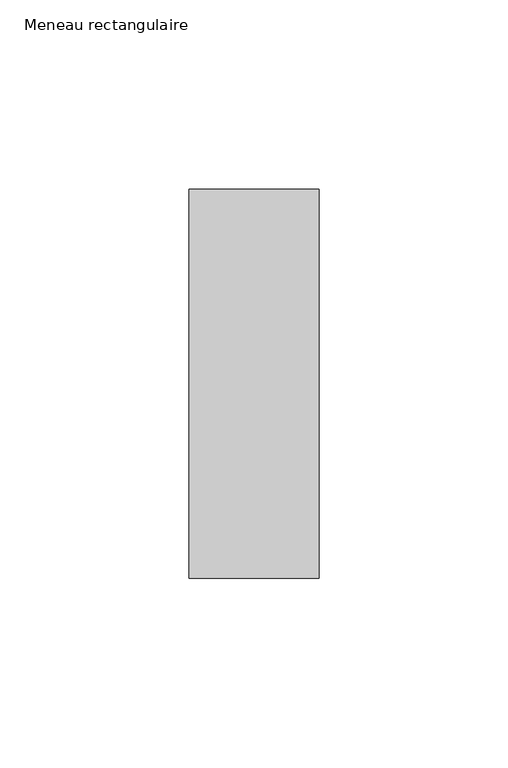
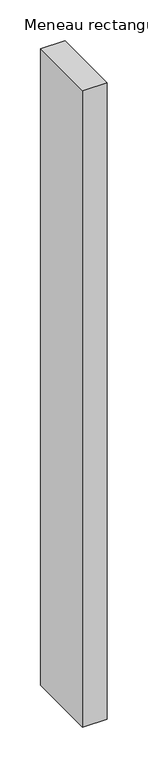
"""IFC4 building model written with IfcOpenShell, lengths in millimetres: member geometry, Meneau rectangulaire."""

from ifc_helpers import new_model, si_unit, frame, origin, place, context, project, spatial, polyline, outline, extrude, source, transform, mapped, element, save


def meneau_rectangulaire_f305cbb4(model_context):
    return source(origin(), model_context, "Body", "SweptSolid", [
        extrude(outline(polyline([(-34.5, 51.5), (0.0, 51.5), (0.0, -51.5), (-34.5, -51.5), (-34.5, 51.5)])), frame((0.0, 0.0, -952.3373825), z_axis=(0.0, 0.0, 1.0), x_axis=(1.0, 0.0, 0.0)), (0.0, 0.0, 1.0), 952.3373825),
    ])


if __name__ == "__main__":
    model = new_model("IFC4")
    model_context = context("Model", 3, world=origin())
    ifc_project = project(units=[si_unit("LENGTHUNIT", "METRE", prefix="MILLI")], contexts=[model_context])
    site = spatial("IfcSite", under=ifc_project)
    building = spatial("IfcBuilding", under=site)
    placement = place(None, origin())
    meneau_rectangulaire_shape = meneau_rectangulaire_f305cbb4(model_context)
    element("IfcMember", 1, ObjectType="Meneau rectangulaire", at=placement, inside=building, context=model_context, shape_type="MappedRepresentation", body=[
        mapped(meneau_rectangulaire_shape, transform((0.0, 0.0, 0.0), x_axis=(1.0, 0.0, 0.0), y_axis=(0.0, 1.0, 0.0), z_axis=(0.0, 0.0, 1.0))),
    ])
    save(model, "model.ifc")
